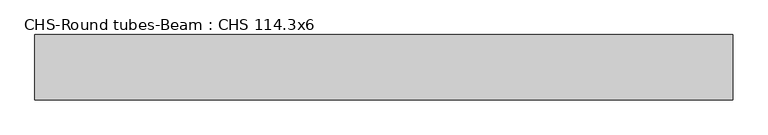
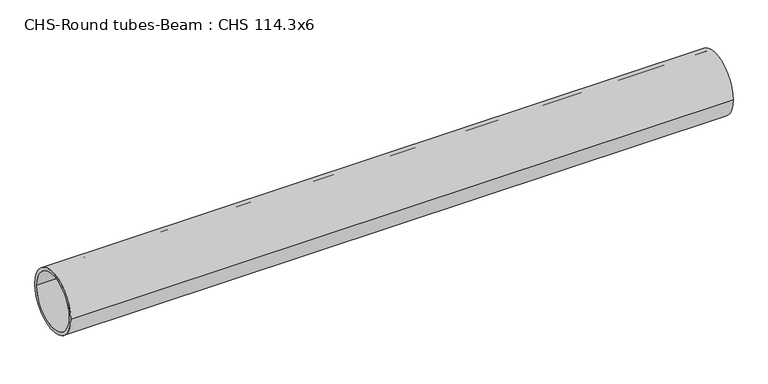
"""IFC4 building model written with IfcOpenShell, lengths in millimetres: beam geometry, CHS-Round tubes-Beam : CHS 114.3x6."""

from ifc_helpers import new_model, si_unit, point, frame, origin, origin_2d, place, context, project, spatial, circle_curve, trimmed, segment, composite_curve, outline, extrude, source, transform, mapped, element, save


def chs_round_tubes_beam_chs_114_3x6_248af1bb(model_context):
    return source(origin(), model_context, "Body", "SweptSolid", [
        extrude(outline(composite_curve([segment(trimmed(circle_curve(origin_2d(), 57.15), [point((57.15, 0.0))], [point((-57.15, 0.0))], False, "CARTESIAN"), True, "CONTINUOUS"), segment(trimmed(circle_curve(origin_2d(), 57.15), [point((-57.15, 0.0))], [point((57.15, 0.0))], False, "CARTESIAN"), True, "CONTINUOUS")], self_intersect=False), holes=[composite_curve([segment(trimmed(circle_curve(origin_2d(), 51.15), [point((51.15, 0.0))], [point((-51.15, 0.0))], True, "CARTESIAN"), True, "CONTINUOUS"), segment(trimmed(circle_curve(origin_2d(), 51.15), [point((-51.15, 0.0))], [point((51.15, 0.0))], True, "CARTESIAN"), True, "CONTINUOUS")], self_intersect=False)]), frame((-615.6030363, 0.0, 0.0), z_axis=(1.0, 0.0, 0.0), x_axis=(0.0, 1.0, 0.0)), (0.0, 0.0, 1.0), 1219.1215844),
    ])


if __name__ == "__main__":
    model = new_model("IFC4")
    model_context = context("Model", 3, world=origin())
    ifc_project = project(units=[si_unit("LENGTHUNIT", "METRE", prefix="MILLI")], contexts=[model_context])
    site = spatial("IfcSite", under=ifc_project)
    building = spatial("IfcBuilding", under=site)
    placement = place(None, origin())
    chs_round_tubes_beam_chs_114_3x6_shape = chs_round_tubes_beam_chs_114_3x6_248af1bb(model_context)
    element("IfcBeam", 1, ObjectType="CHS-Round tubes-Beam : CHS 114.3x6", at=placement, inside=building, context=model_context, shape_type="MappedRepresentation", body=[
        mapped(chs_round_tubes_beam_chs_114_3x6_shape, transform((0.0, 0.0, 0.0), x_axis=(1.0, 0.0, 0.0), y_axis=(0.0, 1.0, 0.0), z_axis=(0.0, 0.0, 1.0))),
    ])
    save(model, "model.ifc")
